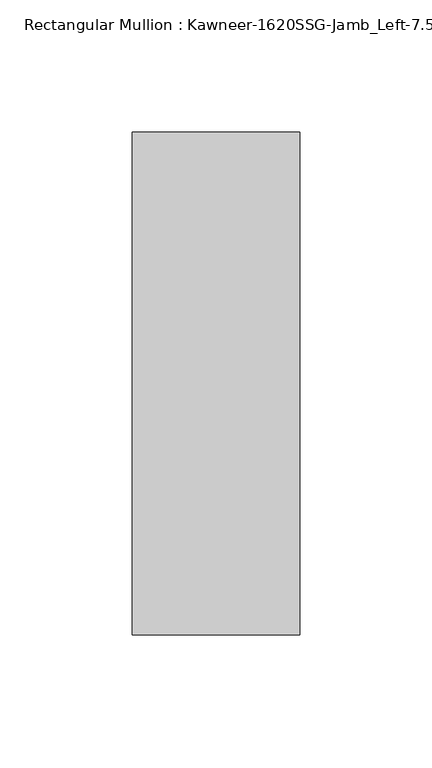
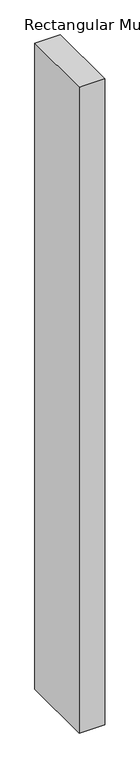
"""IFC4 building model written with IfcOpenShell, lengths in millimetres: member geometry."""

from ifc_helpers import new_model, si_unit, frame, origin, place, context, project, spatial, polyline, outline, extrude, source, transform, mapped, element, save


def member_00fb50b3(model_context):
    return source(origin(), model_context, "Body", "SweptSolid", [
        extrude(outline(polyline([(22.225, 28.575), (22.225, -161.925), (-41.275, -161.925), (-41.275, 28.575), (22.225, 28.575)])), frame((0.0, 0.0, -1695.45), z_axis=(0.0, 0.0, 1.0), x_axis=(1.0, 0.0, 0.0)), (0.0, 0.0, 1.0), 1695.45),
    ])


if __name__ == "__main__":
    model = new_model("IFC4")
    model_context = context("Model", 3, world=origin())
    ifc_project = project(units=[si_unit("LENGTHUNIT", "METRE", prefix="MILLI")], contexts=[model_context])
    site = spatial("IfcSite", under=ifc_project)
    building = spatial("IfcBuilding", under=site)
    placement = place(None, origin())
    member_shape = member_00fb50b3(model_context)
    element("IfcMember", 1, ObjectType="Rectangular Mullion : Kawneer-1620SSG-Jamb_Left-7.5\"-1/4\"Infill", at=placement, inside=building, context=model_context, shape_type="MappedRepresentation", body=[
        mapped(member_shape, transform((0.0, 0.0, 0.0), x_axis=(1.0, 0.0, 0.0), y_axis=(0.0, 1.0, 0.0), z_axis=(0.0, 0.0, 1.0))),
    ])
    save(model, "model.ifc")
